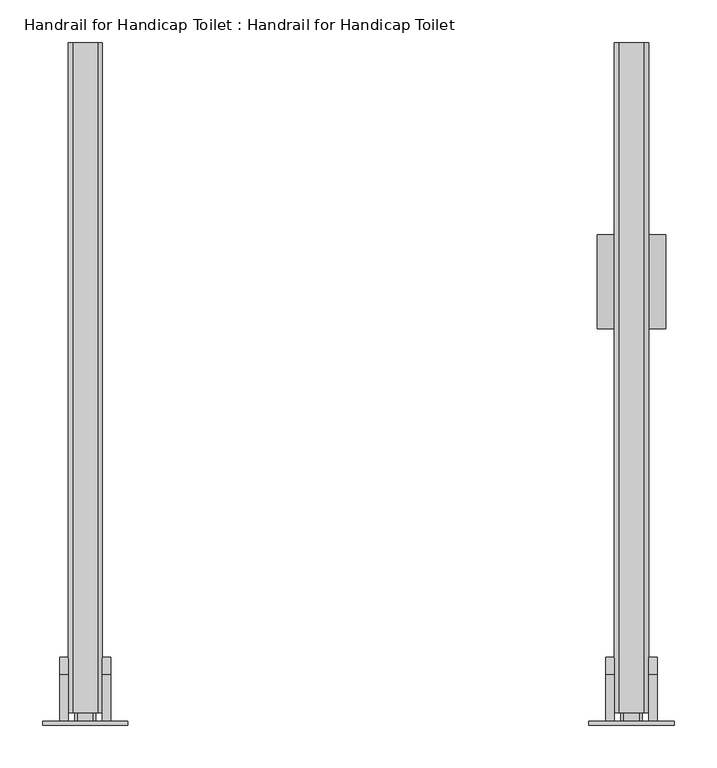
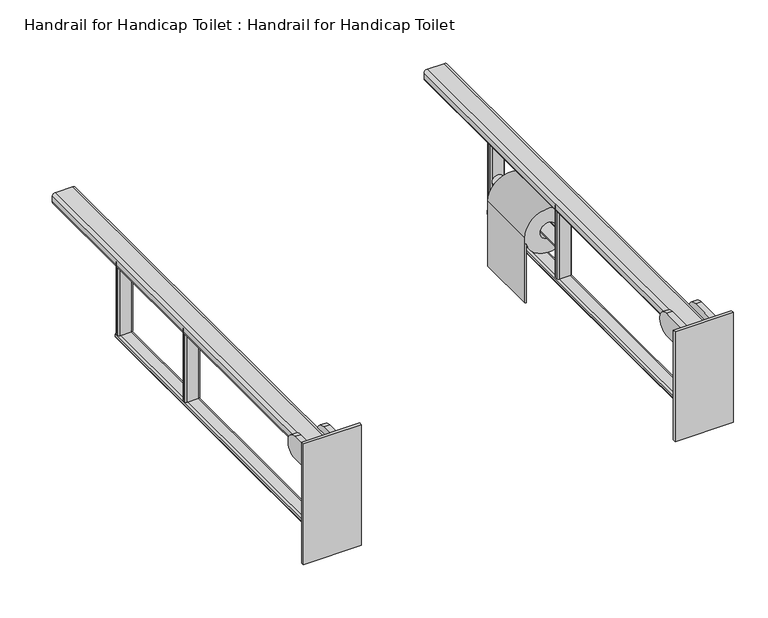
"""IFC4 building model written with IfcOpenShell, lengths in millimetres: proxy geometry, Handrail for Handicap Toilet : Handrail for Handicap Toilet."""

import ifcopenshell
import ifcopenshell.guid

model = None  # the IFC model being written
_history = None  # IfcOwnerHistory: only IFC2X3 demands one
_inside = {}  # id of a spatial element -> (the spatial element, [elements in it])
_under = {}  # id of a project, library or spatial element -> (it, [spatial elements below it])
_declared = {}  # id of a project -> (the project, [libraries it declares])
_typed = {}  # id of a type object -> (the type object, [elements of that type])
_made_of = {}  # id of a material, layer set ... -> (it, [elements and type objects made of it])


def new_model(schema):
    """Start an empty IFC model of exactly this schema.

    Asked for "IFC4X3", IfcOpenShell would pick the latest addendum, in which some entities
    have other attributes; the version numbers below select the first issue.
    IFC2X3 requires an IfcOwnerHistory on every rooted entity: one is made here for all.
    """
    global model, _history
    if schema == "IFC4X3":
        model = ifcopenshell.file(schema_version=(4, 3, 0, 0))
    else:
        model = ifcopenshell.file(schema=schema)
    _inside.clear()
    _under.clear()
    _declared.clear()
    _typed.clear()
    _made_of.clear()
    _history = None
    if model.schema == "IFC2X3":
        org = make("IfcOrganization", Name="unknown")
        user = make(
            "IfcPersonAndOrganization",
            ThePerson=make("IfcPerson", FamilyName="unknown"),
            TheOrganization=org,
        )
        app = make(
            "IfcApplication",
            ApplicationDeveloper=org,
            Version="unknown",
            ApplicationFullName="unknown",
            ApplicationIdentifier="unknown",
        )
        _history = make(
            "IfcOwnerHistory",
            OwningUser=user,
            OwningApplication=app,
            ChangeAction="ADDED",
            CreationDate=0,
        )
    return model


def make(cls, **values):
    """One entity of the class cls with the attributes given. An attribute that is None is left unset."""
    return model.create_entity(
        cls, **{name: value for name, value in values.items() if value is not None}
    )


def rooted(cls, **values):
    """An entity with a GlobalId (a new one), such as an element, a storey or a relation."""
    return make(cls, GlobalId=ifcopenshell.guid.new(), OwnerHistory=_history, **values)


def si_unit(unit_type, name, prefix=None):
    """IfcSIUnit, for example si_unit("LENGTHUNIT", "METRE", prefix="MILLI")."""
    return make("IfcSIUnit", UnitType=unit_type, Prefix=prefix, Name=name)


def assignment(units):
    """IfcUnitAssignment: the units of a project."""
    return None if units is None else make("IfcUnitAssignment", Units=units)


def point(xyz):
    """IfcCartesianPoint."""
    return None if xyz is None else make("IfcCartesianPoint", Coordinates=xyz)


def direction(xyz):
    """IfcDirection."""
    return None if xyz is None else make("IfcDirection", DirectionRatios=xyz)


def frame(location, z_axis=None, x_axis=None):
    """IfcAxis2Placement3D, a coordinate frame: its origin and axes. An axis left out is left unset."""
    return make(
        "IfcAxis2Placement3D",
        Location=point(location),
        Axis=direction(z_axis),
        RefDirection=direction(x_axis),
    )


def frame_2d(location, x_axis=None):
    """IfcAxis2Placement2D, a coordinate frame in the plane: its origin and x axis."""
    return make(
        "IfcAxis2Placement2D", Location=point(location), RefDirection=direction(x_axis)
    )


def origin():
    """The frame at (0, 0, 0) with its axes left unset."""
    return frame((0.0, 0.0, 0.0))


def place(relative_to, where):
    """IfcLocalPlacement: puts the frame where relative to a parent placement (None: the world)."""
    return make(
        "IfcLocalPlacement", PlacementRelTo=relative_to, RelativePlacement=where
    )


def context(
    kind, dimensions, precision=None, world=None, true_north=None, identifier=None
):
    """IfcGeometricRepresentationContext, for example the 3D "Model" context."""
    return make(
        "IfcGeometricRepresentationContext",
        ContextIdentifier=identifier,
        ContextType=kind,
        CoordinateSpaceDimension=dimensions,
        Precision=precision,
        WorldCoordinateSystem=world,
        TrueNorth=true_north,
    )


def project(units=None, contexts=None):
    """IfcProject with its units and contexts."""
    return rooted(
        "IfcProject",
        Name="project",
        RepresentationContexts=contexts,
        UnitsInContext=assignment(units),
    )


def spatial(cls, under=None, at=None, **own):
    """A site, building, storey or space (cls), placed at a placement, below another one or the project."""
    s = rooted(cls, ObjectPlacement=at, **own)
    if under is not None:
        _under.setdefault(under.id(), (under, []))[1].append(s)
    return s


def polyline(points):
    """IfcPolyline through the points."""
    return make("IfcPolyline", Points=[point(p) for p in points])


def circle_curve(where, radius):
    """IfcCircle in the frame where."""
    return make("IfcCircle", Position=where, Radius=radius)


def trimmed(basis, trim1, trim2, sense, master):
    """IfcTrimmedCurve: the piece of a basis curve between two trims."""
    return make(
        "IfcTrimmedCurve",
        BasisCurve=basis,
        Trim1=trim1,
        Trim2=trim2,
        SenseAgreement=sense,
        MasterRepresentation=master,
    )


def segment(curve, same_sense, transition):
    """IfcCompositeCurveSegment."""
    return make(
        "IfcCompositeCurveSegment",
        Transition=transition,
        SameSense=same_sense,
        ParentCurve=curve,
    )


def composite_curve(segments, self_intersect=None):
    """IfcCompositeCurve: segments joined end to end."""
    return make("IfcCompositeCurve", Segments=segments, SelfIntersect=self_intersect)


def outline(outer, holes=None, kind="AREA"):
    """IfcArbitraryClosedProfileDef: a profile drawn as a closed curve; with holes, ...WithVoids."""
    if holes is None:
        return make("IfcArbitraryClosedProfileDef", ProfileType=kind, OuterCurve=outer)
    return make(
        "IfcArbitraryProfileDefWithVoids",
        ProfileType=kind,
        OuterCurve=outer,
        InnerCurves=holes,
    )


def extrude(swept, where, along, depth):
    """IfcExtrudedAreaSolid: the profile swept, set in the frame where, extruded along a direction by depth."""
    return make(
        "IfcExtrudedAreaSolid",
        SweptArea=swept,
        Position=where,
        ExtrudedDirection=direction(along),
        Depth=depth,
    )


def shape(context_of_items, identifier, shape_type, items):
    """IfcShapeRepresentation: the items that make up one representation, for example the "Body"."""
    return make(
        "IfcShapeRepresentation",
        ContextOfItems=context_of_items,
        RepresentationIdentifier=identifier,
        RepresentationType=shape_type,
        Items=items,
    )


def source(mapping_origin, context_of_items, identifier, shape_type, items):
    """IfcRepresentationMap: a shape defined once, which mapped items show again and again."""
    return make(
        "IfcRepresentationMap",
        MappingOrigin=mapping_origin,
        MappedRepresentation=shape(context_of_items, identifier, shape_type, items),
    )


def transform(
    local_origin,
    x_axis=None,
    y_axis=None,
    z_axis=None,
    scale=None,
    scale2=None,
    scale3=None,
    uniform=True,
):
    """IfcCartesianTransformationOperator3D, or its non-uniform kind. x_axis, y_axis, z_axis: its Axis1, 2, 3."""
    if uniform:
        return make(
            "IfcCartesianTransformationOperator3D",
            Axis1=direction(x_axis),
            Axis2=direction(y_axis),
            LocalOrigin=point(local_origin),
            Scale=scale,
            Axis3=direction(z_axis),
        )
    return make(
        "IfcCartesianTransformationOperator3DnonUniform",
        Axis1=direction(x_axis),
        Axis2=direction(y_axis),
        LocalOrigin=point(local_origin),
        Scale=scale,
        Axis3=direction(z_axis),
        Scale2=scale2,
        Scale3=scale3,
    )


def mapped(mapping_source, mapping_target):
    """IfcMappedItem: shows the shape of a source again, moved by a transform."""
    return make(
        "IfcMappedItem", MappingSource=mapping_source, MappingTarget=mapping_target
    )


def made_of(thing, what):
    """Note that an element or type object is made of a material, layer set ...; save() writes the relation."""
    if what is not None:
        _made_of.setdefault(what.id(), (what, []))[1].append(thing)
    return thing


def element(
    cls,
    number,
    at=None,
    inside=None,
    cuts=None,
    type_object=None,
    material=None,
    context=None,
    identifier="Body",
    shape_type=None,
    held_by="IfcProductDefinitionShape",
    body=None,
    shapes=None,
    **own,
):
    """One element of the class cls, such as IfcWall. Its Tag is "e" and its number.

    at: its placement. inside: the storey or other place that contains it. cuts: it is an
    opening in that element (IfcRelVoidsElement). A single representation is given by context,
    identifier, shape_type and body (its items); several are given by shapes. held_by: the class
    of the entity that holds the representations. save() writes the other relations.
    """
    e = rooted(cls, Tag="e%d" % number, ObjectPlacement=at, **own)
    if body is not None:
        shapes = [shape(context, identifier, shape_type, body)]
    if shapes is not None:
        e.Representation = make(held_by, Representations=shapes)
    if inside is not None:
        _inside.setdefault(inside.id(), (inside, []))[1].append(e)
    if cuts is not None:
        rooted(
            "IfcRelVoidsElement", RelatingBuildingElement=cuts, RelatedOpeningElement=e
        )
    if type_object is not None:
        _typed.setdefault(type_object.id(), (type_object, []))[1].append(e)
    return made_of(e, material)


def aggregate(whole, parts):
    """IfcRelAggregates: a whole, such as a stair, and the parts it consists of."""
    return rooted("IfcRelAggregates", RelatingObject=whole, RelatedObjects=parts)


def save(model, path):
    """Write the relations noted so far, then the file.

    IfcRelAggregates (storeys below a building ...), IfcRelContainedInSpatialStructure (elements
    in a storey), IfcRelDefinesByType, IfcRelAssociatesMaterial and IfcRelDeclares: one each for
    every whole, place, type object, material and project.
    """
    for whole, parts in _under.values():
        aggregate(whole, parts)
    for where, things in _inside.values():
        rooted(
            "IfcRelContainedInSpatialStructure",
            RelatedElements=things,
            RelatingStructure=where,
        )
    for kind, things in _typed.values():
        rooted("IfcRelDefinesByType", RelatedObjects=things, RelatingType=kind)
    for what, things in _made_of.values():
        rooted("IfcRelAssociatesMaterial", RelatedObjects=things, RelatingMaterial=what)
    for by, libraries in _declared.values():
        rooted("IfcRelDeclares", RelatingContext=by, RelatedDefinitions=libraries)
    model.write(path)


def plane_surface(at):
    """IfcPlane: the flat surface through the origin of the frame at, square to its z axis."""
    return make("IfcPlane", Position=at)


def cylinder_surface(at, radius):
    """IfcCylindricalSurface: all points at the distance radius from the z axis of the frame at."""
    return make("IfcCylindricalSurface", Position=at, Radius=radius)


def advanced_brep(points, edges, surfaces, faces):
    """IfcAdvancedBrep: a solid bounded by faces that lie on surfaces and meet in shared edges.

    An edge is (start, end): straight between two places in points (the first is 0);
    or (start, end, curve); or (start, end, curve, False) where it runs against its curve.
    A face is (place in surfaces, loops), or (place, loops, False) where it looks against
    its surface's normal. A loop lists edges by number (the first is 1), with a minus sign
    where the edge is run from its end to its start. The first loop is the outer one.
    """
    corners = [point(p) for p in points]
    vertices = [make("IfcVertexPoint", VertexGeometry=c) for c in corners]
    made = []
    for start, end, *more in edges:
        made.append(
            make(
                "IfcEdgeCurve",
                EdgeStart=vertices[start],
                EdgeEnd=vertices[end],
                EdgeGeometry=more[0] if more else make("IfcPolyline", Points=[corners[start], corners[end]]),
                SameSense=more[1] if len(more) > 1 else True,
            )
        )
    hull = []
    for where, loops, *sense in faces:
        bounds = []
        for j, loop in enumerate(loops):
            ring = [make("IfcOrientedEdge", EdgeElement=made[abs(k) - 1], Orientation=k > 0) for k in loop]
            bounds.append(
                make(
                    "IfcFaceOuterBound" if j == 0 else "IfcFaceBound",
                    Bound=make("IfcEdgeLoop", EdgeList=ring),
                    Orientation=True,
                )
            )
        hull.append(make("IfcAdvancedFace", Bounds=bounds, FaceSurface=surfaces[where], SameSense=sense[0] if sense else True))
    return make("IfcAdvancedBrep", Outer=make("IfcClosedShell", CfsFaces=hull))


def handrail_for_handicap_toilet_handrail_for_handicap_toilet_3c5fbdca(model_context):
    return source(origin(), model_context, "Body", "SolidModel", [
        extrude(outline(composite_curve([segment(trimmed(circle_curve(frame_2d((715.0, 445.0329044)), 10.0), [point((715.0, 455.0329044))], [point((715.0, 435.0329044))], False, "CARTESIAN"), True, "CONTINUOUS"), segment(trimmed(circle_curve(frame_2d((715.0, 445.0329044)), 10.0), [point((715.0, 435.0329044))], [point((715.0, 455.0329044))], False, "CARTESIAN"), True, "CONTINUOUS")], self_intersect=False)), frame((0.0, 500.0, 0.0), z_axis=(0.0, 1.0, 0.0), x_axis=(0.0, 0.0, 1.0)), (0.0, 0.0, 1.0), 190.0),
        extrude(outline(composite_curve([segment(polyline([(715.0, 405.0329044), (596.808083, 405.0329044), (596.808083, 406.9949075), (702.6262055, 406.9949075)]), True, "CONTINUOUS"), segment(trimmed(circle_curve(frame_2d((715.0, 445.0329044)), 40.0), [point((702.6262055, 406.9949075))], [point((715.0, 405.0329044))], False, "CARTESIAN"), True, "CONTINUOUS")], self_intersect=False), holes=[composite_curve([segment(trimmed(circle_curve(frame_2d((715.0, 445.0329044)), 13.9343465), [point((715.0, 458.9672509))], [point((715.0, 431.098558))], True, "CARTESIAN"), True, "CONTINUOUS"), segment(trimmed(circle_curve(frame_2d((715.0, 445.0329044)), 13.9343465), [point((715.0, 431.098558))], [point((715.0, 458.9672509))], True, "CARTESIAN"), True, "CONTINUOUS")], self_intersect=False)]), frame((0.0, 540.0, 0.0), z_axis=(0.0, 1.0, 0.0), x_axis=(0.0, 0.0, 1.0)), (0.0, 0.0, 1.0), 110.0),
        extrude(outline(composite_curve([segment(polyline([(-204.8859753, 500.0), (-185.1798336, 500.0)]), True, "CONTINUOUS"), segment(trimmed(circle_curve(frame_2d((-185.5329044, 497.020849)), 3.0), [point((-185.1798336, 500.0))], [point((-182.5329044, 497.020849))], False, "CARTESIAN"), True, "CONTINUOUS"), segment(polyline([(-182.5329044, 497.020849), (-182.5329044, 492.979151)]), True, "CONTINUOUS"), segment(trimmed(circle_curve(frame_2d((-185.5329044, 492.979151)), 3.0), [point((-182.5329044, 492.979151))], [point((-185.1798336, 490.0))], False, "CARTESIAN"), True, "CONTINUOUS"), segment(polyline([(-185.1798336, 490.0), (-204.8859753, 490.0)]), True, "CONTINUOUS"), segment(trimmed(circle_curve(frame_2d((-204.5329044, 492.979151)), 3.0), [point((-204.8859753, 490.0))], [point((-207.5329044, 492.979151))], False, "CARTESIAN"), True, "CONTINUOUS"), segment(polyline([(-207.5329044, 492.979151), (-207.5329044, 497.020849)]), True, "CONTINUOUS"), segment(trimmed(circle_curve(frame_2d((-204.5329044, 497.020849)), 3.0), [point((-207.5329044, 497.020849))], [point((-204.8859753, 500.0))], False, "CARTESIAN"), True, "CONTINUOUS")], self_intersect=False)), frame((0.0, 0.0, 660.0), z_axis=(0.0, 0.0, 1.0), x_axis=(1.0, 0.0, 0.0)), (0.0, 0.0, 1.0), 130.0),
        extrude(outline(composite_curve([segment(polyline([(-204.8859753, 700.0), (-185.1798336, 700.0)]), True, "CONTINUOUS"), segment(trimmed(circle_curve(frame_2d((-185.5329044, 697.020849)), 3.0), [point((-185.1798336, 700.0))], [point((-182.5329044, 697.020849))], False, "CARTESIAN"), True, "CONTINUOUS"), segment(polyline([(-182.5329044, 697.020849), (-182.5329044, 692.979151)]), True, "CONTINUOUS"), segment(trimmed(circle_curve(frame_2d((-185.5329044, 692.979151)), 3.0), [point((-182.5329044, 692.979151))], [point((-185.1798336, 690.0))], False, "CARTESIAN"), True, "CONTINUOUS"), segment(polyline([(-185.1798336, 690.0), (-204.8859753, 690.0)]), True, "CONTINUOUS"), segment(trimmed(circle_curve(frame_2d((-204.5329044, 692.979151)), 3.0), [point((-204.8859753, 690.0))], [point((-207.5329044, 692.979151))], False, "CARTESIAN"), True, "CONTINUOUS"), segment(polyline([(-207.5329044, 692.979151), (-207.5329044, 697.020849)]), True, "CONTINUOUS"), segment(trimmed(circle_curve(frame_2d((-204.5329044, 697.020849)), 3.0), [point((-207.5329044, 697.020849))], [point((-204.8859753, 700.0))], False, "CARTESIAN"), True, "CONTINUOUS")], self_intersect=False)), frame((0.0, 0.0, 660.0), z_axis=(0.0, 0.0, 1.0), x_axis=(1.0, 0.0, 0.0)), (0.0, 0.0, 1.0), 130.0),
        advanced_brep(
        [(-185.5329044, 80.0, 660.0), (-204.4670956, 80.0, 660.0), (-207.4670956, 80.0, 657.0), (-207.5, 80.0, 653.0), (-204.4670956, 80.0, 650.0), (-185.5329044, 80.0, 650.0), (-182.5329044, 80.0, 653.0), (-182.5, 80.0, 657.0), (-185.5329044, 700.0, 660.0), (-182.5329044, 700.0, 657.0), (-182.5, 700.0, 653.0), (-185.5329044, 700.0, 650.0), (-204.4670956, 700.0, 650.0), (-207.4670956, 700.0, 653.0), (-207.5, 700.0, 657.0), (-204.4670956, 700.0, 660.0)],
        [
            (0, 1),
            (1, 2, circle_curve(frame((-204.4670956, 80.0, 657.0), z_axis=(0.0, -1.0, 0.0), x_axis=(1.0, 0.0, 0.0)), 3.0)),
            (2, 3),
            (3, 4, circle_curve(frame((-204.4670956, 80.0, 653.0), z_axis=(0.0, -1.0, 0.0), x_axis=(1.0, 0.0, 0.0)), 3.0)),
            (4, 5),
            (5, 6, circle_curve(frame((-185.5329044, 80.0, 653.0), z_axis=(0.0, -1.0, 0.0), x_axis=(-1.0, 0.0, 0.0)), 3.0)),
            (6, 7),
            (7, 0, circle_curve(frame((-185.5329044, 80.0, 657.0), z_axis=(0.0, -1.0, 0.0), x_axis=(-1.0, 0.0, 0.0)), 3.0)),
            (8, 9, circle_curve(frame((-185.5329044, 700.0, 657.0), z_axis=(0.0, 1.0, 0.0), x_axis=(-1.0, 0.0, 0.0)), 3.0)),
            (9, 10),
            (10, 11, circle_curve(frame((-185.5329044, 700.0, 653.0), z_axis=(0.0, 1.0, 0.0), x_axis=(-1.0, 0.0, 0.0)), 3.0)),
            (11, 12),
            (12, 13, circle_curve(frame((-204.4670956, 700.0, 653.0), z_axis=(0.0, 1.0, 0.0), x_axis=(1.0, 0.0, 0.0)), 3.0)),
            (13, 14),
            (14, 15, circle_curve(frame((-204.4670956, 700.0, 657.0), z_axis=(0.0, 1.0, 0.0), x_axis=(1.0, 0.0, 0.0)), 3.0)),
            (15, 8),
            (7, 9),
            (8, 0),
            (6, 10),
            (5, 11),
            (4, 12),
            (3, 13),
            (2, 14),
            (1, 15),
        ],
        [
            plane_surface(frame((-207.5, 80.0, 660.0), z_axis=(0.0, -1.0, 0.0), x_axis=(-1.0, 0.0, 0.0))),
            plane_surface(frame((-207.5, 700.0, 660.0), z_axis=(0.0, 1.0, 0.0), x_axis=(1.0, 0.0, 0.0))),
            cylinder_surface(frame((-185.5329044, 700.0, 657.0), z_axis=(0.0, -1.0, 0.0), x_axis=(-1.0, 0.0, 0.0)), 3.0),
            plane_surface(frame((-182.5, 80.0, 653.0), z_axis=(1.0, 0.0, 0.0), x_axis=(0.0, 1.0, 0.0))),
            cylinder_surface(frame((-185.5329044, 700.0, 653.0), z_axis=(0.0, -1.0, 0.0), x_axis=(-1.0, 0.0, 0.0)), 3.0),
            plane_surface(frame((-204.4670956, 80.0, 650.0), z_axis=(0.0, 0.0, -1.0), x_axis=(0.0, 1.0, 0.0))),
            cylinder_surface(frame((-204.4670956, 700.0, 653.0), z_axis=(0.0, -1.0, 0.0), x_axis=(1.0, 0.0, 0.0)), 3.0),
            plane_surface(frame((-207.5, 80.0, 657.0), z_axis=(-1.0, 0.0, 0.0), x_axis=(0.0, 1.0, 0.0))),
            cylinder_surface(frame((-204.4670956, 700.0, 657.0), z_axis=(0.0, -1.0, 0.0), x_axis=(1.0, 0.0, 0.0)), 3.0),
            plane_surface(frame((-185.5329044, 80.0, 660.0), z_axis=(0.0, 0.0, 1.0), x_axis=(0.0, 1.0, 0.0))),
        ],
        [
            (0, [[1, 2, 3, 4, 5, 6, 7, 8]]),
            (1, [[9, 10, 11, 12, 13, 14, 15, 16]]),
            (2, [[-8, 17, -9, 18]]),
            (3, [[-7, 19, -10, -17]]),
            (4, [[-6, 20, -11, -19]]),
            (5, [[-5, 21, -12, -20]]),
            (6, [[-4, 22, -13, -21]]),
            (7, [[-3, 23, -14, -22]]),
            (8, [[-2, 24, -15, -23]]),
            (9, [[-1, -18, -16, -24]]),
        ],
    ),
        extrude(outline(composite_curve([segment(polyline([(810.0, -180.0), (810.0, -210.0)]), True, "CONTINUOUS"), segment(trimmed(circle_curve(frame_2d((805.0, -210.0)), 5.0), [point((810.0, -210.0))], [point((805.0, -215.0))], False, "CARTESIAN"), True, "CONTINUOUS"), segment(polyline([(805.0, -215.0), (795.0, -215.0)]), True, "CONTINUOUS"), segment(trimmed(circle_curve(frame_2d((795.0, -210.0)), 5.0), [point((795.0, -215.0))], [point((790.0, -210.0))], False, "CARTESIAN"), True, "CONTINUOUS"), segment(polyline([(790.0, -210.0), (790.0, -180.0)]), True, "CONTINUOUS"), segment(trimmed(circle_curve(frame_2d((795.0, -180.0)), 5.0), [point((790.0, -180.0))], [point((795.0, -175.0))], False, "CARTESIAN"), True, "CONTINUOUS"), segment(polyline([(795.0, -175.0), (805.0, -175.0)]), True, "CONTINUOUS"), segment(trimmed(circle_curve(frame_2d((805.0, -180.0)), 5.0), [point((805.0, -175.0))], [point((810.0, -180.0))], False, "CARTESIAN"), True, "CONTINUOUS")], self_intersect=False)), frame((0.0, 90.0, 0.0), z_axis=(0.0, 1.0, 0.0), x_axis=(0.0, 0.0, 1.0)), (0.0, 0.0, 1.0), 785.0),
        extrude(outline(composite_curve([segment(trimmed(circle_curve(frame_2d((454.5329044, 497.020849)), 3.0), [point((454.8859753, 500.0))], [point((457.5329044, 497.020849))], False, "CARTESIAN"), True, "CONTINUOUS"), segment(polyline([(457.5329044, 497.020849), (457.5329044, 492.979151)]), True, "CONTINUOUS"), segment(trimmed(circle_curve(frame_2d((454.5329044, 492.979151)), 3.0), [point((457.5329044, 492.979151))], [point((454.8859753, 490.0))], False, "CARTESIAN"), True, "CONTINUOUS"), segment(polyline([(454.8859753, 490.0), (435.1798336, 490.0)]), True, "CONTINUOUS"), segment(trimmed(circle_curve(frame_2d((435.5329044, 492.979151)), 3.0), [point((435.1798336, 490.0))], [point((432.5329044, 492.979151))], False, "CARTESIAN"), True, "CONTINUOUS"), segment(polyline([(432.5329044, 492.979151), (432.5329044, 497.020849)]), True, "CONTINUOUS"), segment(trimmed(circle_curve(frame_2d((435.5329044, 497.020849)), 3.0), [point((432.5329044, 497.020849))], [point((435.1798336, 500.0))], False, "CARTESIAN"), True, "CONTINUOUS"), segment(polyline([(435.1798336, 500.0), (454.8859753, 500.0)]), True, "CONTINUOUS")], self_intersect=False)), frame((0.0, 0.0, 660.0), z_axis=(0.0, 0.0, 1.0), x_axis=(1.0, 0.0, 0.0)), (0.0, 0.0, 1.0), 130.0),
        extrude(outline(composite_curve([segment(trimmed(circle_curve(frame_2d((454.5329044, 697.020849)), 3.0), [point((454.8859753, 700.0))], [point((457.5329044, 697.020849))], False, "CARTESIAN"), True, "CONTINUOUS"), segment(polyline([(457.5329044, 697.020849), (457.5329044, 692.979151)]), True, "CONTINUOUS"), segment(trimmed(circle_curve(frame_2d((454.5329044, 692.979151)), 3.0), [point((457.5329044, 692.979151))], [point((454.8859753, 690.0))], False, "CARTESIAN"), True, "CONTINUOUS"), segment(polyline([(454.8859753, 690.0), (435.1798336, 690.0)]), True, "CONTINUOUS"), segment(trimmed(circle_curve(frame_2d((435.5329044, 692.979151)), 3.0), [point((435.1798336, 690.0))], [point((432.5329044, 692.979151))], False, "CARTESIAN"), True, "CONTINUOUS"), segment(polyline([(432.5329044, 692.979151), (432.5329044, 697.020849)]), True, "CONTINUOUS"), segment(trimmed(circle_curve(frame_2d((435.5329044, 697.020849)), 3.0), [point((432.5329044, 697.020849))], [point((435.1798336, 700.0))], False, "CARTESIAN"), True, "CONTINUOUS"), segment(polyline([(435.1798336, 700.0), (454.8859753, 700.0)]), True, "CONTINUOUS")], self_intersect=False)), frame((0.0, 0.0, 660.0), z_axis=(0.0, 0.0, 1.0), x_axis=(1.0, 0.0, 0.0)), (0.0, 0.0, 1.0), 130.0),
        advanced_brep(
        [(435.5329044, 80.0, 660.0), (432.5329044, 80.0, 657.0), (432.5, 80.0, 653.0), (435.5329044, 80.0, 650.0), (454.4670956, 80.0, 650.0), (457.4670956, 80.0, 653.0), (457.5, 80.0, 657.0), (454.4670956, 80.0, 660.0), (435.5329044, 700.0, 660.0), (454.4670956, 700.0, 660.0), (457.4670956, 700.0, 657.0), (457.5, 700.0, 653.0), (454.4670956, 700.0, 650.0), (435.5329044, 700.0, 650.0), (432.5329044, 700.0, 653.0), (432.5, 700.0, 657.0)],
        [
            (0, 1, circle_curve(frame((435.5329044, 80.0, 657.0), z_axis=(0.0, -1.0, 0.0), x_axis=(1.0, 0.0, 0.0)), 3.0)),
            (1, 2),
            (2, 3, circle_curve(frame((435.5329044, 80.0, 653.0), z_axis=(0.0, -1.0, 0.0), x_axis=(1.0, 0.0, 0.0)), 3.0)),
            (3, 4),
            (4, 5, circle_curve(frame((454.4670956, 80.0, 653.0), z_axis=(0.0, -1.0, 0.0), x_axis=(-1.0, 0.0, 0.0)), 3.0)),
            (5, 6),
            (6, 7, circle_curve(frame((454.4670956, 80.0, 657.0), z_axis=(0.0, -1.0, 0.0), x_axis=(-1.0, 0.0, 0.0)), 3.0)),
            (7, 0),
            (8, 9),
            (9, 10, circle_curve(frame((454.4670956, 700.0, 657.0), z_axis=(0.0, 1.0, 0.0), x_axis=(-1.0, 0.0, 0.0)), 3.0)),
            (10, 11),
            (11, 12, circle_curve(frame((454.4670956, 700.0, 653.0), z_axis=(0.0, 1.0, 0.0), x_axis=(-1.0, 0.0, 0.0)), 3.0)),
            (12, 13),
            (13, 14, circle_curve(frame((435.5329044, 700.0, 653.0), z_axis=(0.0, 1.0, 0.0), x_axis=(1.0, 0.0, 0.0)), 3.0)),
            (14, 15),
            (15, 8, circle_curve(frame((435.5329044, 700.0, 657.0), z_axis=(0.0, 1.0, 0.0), x_axis=(1.0, 0.0, 0.0)), 3.0)),
            (0, 8),
            (15, 1),
            (14, 2),
            (13, 3),
            (12, 4),
            (11, 5),
            (10, 6),
            (9, 7),
        ],
        [
            plane_surface(frame((438.5329044, 80.0, 657.0), z_axis=(0.0, -1.0, 0.0), x_axis=(0.0, 0.0, 1.0))),
            plane_surface(frame((438.5329044, 700.0, 657.0), z_axis=(0.0, 1.0, 0.0), x_axis=(0.0, 0.0, -1.0))),
            cylinder_surface(frame((435.5329044, 700.0, 657.0), z_axis=(0.0, -1.0, 0.0), x_axis=(1.0, 0.0, 0.0)), 3.0),
            plane_surface(frame((432.5, 80.0, 657.0), z_axis=(-1.0, 0.0, 0.0), x_axis=(0.0, 1.0, 0.0))),
            cylinder_surface(frame((435.5329044, 700.0, 653.0), z_axis=(0.0, -1.0, 0.0), x_axis=(1.0, 0.0, 0.0)), 3.0),
            plane_surface(frame((435.5329044, 80.0, 650.0), z_axis=(0.0, 0.0, -1.0), x_axis=(0.0, 1.0, 0.0))),
            cylinder_surface(frame((454.4670956, 700.0, 653.0), z_axis=(0.0, -1.0, 0.0), x_axis=(-1.0, 0.0, 0.0)), 3.0),
            plane_surface(frame((457.5, 80.0, 653.0), z_axis=(1.0, 0.0, 0.0), x_axis=(0.0, 1.0, 0.0))),
            cylinder_surface(frame((454.4670956, 700.0, 657.0), z_axis=(0.0, -1.0, 0.0), x_axis=(-1.0, 0.0, 0.0)), 3.0),
            plane_surface(frame((454.4670956, 80.0, 660.0), z_axis=(0.0, 0.0, 1.0), x_axis=(0.0, 1.0, 0.0))),
        ],
        [
            (0, [[1, 2, 3, 4, 5, 6, 7, 8]]),
            (1, [[9, 10, 11, 12, 13, 14, 15, 16]]),
            (2, [[-1, 17, -16, 18]]),
            (3, [[-2, -18, -15, 19]]),
            (4, [[-3, -19, -14, 20]]),
            (5, [[-4, -20, -13, 21]]),
            (6, [[-5, -21, -12, 22]]),
            (7, [[-6, -22, -11, 23]]),
            (8, [[-7, -23, -10, 24]]),
            (9, [[-8, -24, -9, -17]]),
        ],
    ),
        extrude(outline(composite_curve([segment(trimmed(circle_curve(frame_2d((805.0, 430.0)), 5.0), [point((810.0, 430.0))], [point((805.0, 425.0))], False, "CARTESIAN"), True, "CONTINUOUS"), segment(polyline([(805.0, 425.0), (795.0, 425.0)]), True, "CONTINUOUS"), segment(trimmed(circle_curve(frame_2d((795.0, 430.0)), 5.0), [point((795.0, 425.0))], [point((790.0, 430.0))], False, "CARTESIAN"), True, "CONTINUOUS"), segment(polyline([(790.0, 430.0), (790.0, 460.0)]), True, "CONTINUOUS"), segment(trimmed(circle_curve(frame_2d((795.0, 460.0)), 5.0), [point((790.0, 460.0))], [point((795.0, 465.0))], False, "CARTESIAN"), True, "CONTINUOUS"), segment(polyline([(795.0, 465.0), (805.0, 465.0)]), True, "CONTINUOUS"), segment(trimmed(circle_curve(frame_2d((805.0, 460.0)), 5.0), [point((805.0, 465.0))], [point((810.0, 460.0))], False, "CARTESIAN"), True, "CONTINUOUS"), segment(polyline([(810.0, 460.0), (810.0, 430.0)]), True, "CONTINUOUS")], self_intersect=False)), frame((0.0, 90.0, 0.0), z_axis=(0.0, 1.0, 0.0), x_axis=(0.0, 0.0, 1.0)), (0.0, 0.0, 1.0), 785.0),
        extrude(outline(composite_curve([segment(polyline([(80.0, 780.0), (80.0, 820.0), (135.0, 820.0)]), True, "CONTINUOUS"), segment(trimmed(circle_curve(frame_2d((135.0, 800.0)), 20.0), [point((135.0, 820.0))], [point((135.0, 780.0))], False, "CARTESIAN"), True, "CONTINUOUS"), segment(polyline([(135.0, 780.0), (80.0, 780.0)]), True, "CONTINUOUS")], self_intersect=False)), frame((-225.0, 0.0, 0.0), z_axis=(1.0, 0.0, 0.0), x_axis=(0.0, 1.0, 0.0)), (0.0, 0.0, 1.0), 10.0),
        extrude(outline(composite_curve([segment(polyline([(80.0, 780.0), (80.0, 820.0), (135.0, 820.0)]), True, "CONTINUOUS"), segment(trimmed(circle_curve(frame_2d((135.0, 800.0)), 20.0), [point((135.0, 820.0))], [point((135.0, 780.0))], False, "CARTESIAN"), True, "CONTINUOUS"), segment(polyline([(135.0, 780.0), (80.0, 780.0)]), True, "CONTINUOUS")], self_intersect=False)), frame((-175.0, 0.0, 0.0), z_axis=(1.0, 0.0, 0.0), x_axis=(0.0, 1.0, 0.0)), (0.0, 0.0, 1.0), 10.0),
        extrude(outline(polyline([(-145.0, 80.0), (-145.0, 75.0), (-245.0, 75.0), (-245.0, 80.0), (-145.0, 80.0)])), frame((0.0, 0.0, 630.0), z_axis=(0.0, 0.0, 1.0), x_axis=(1.0, 0.0, 0.0)), (0.0, 0.0, 1.0), 220.0),
        extrude(outline(composite_curve([segment(polyline([(80.0, 780.0), (80.0, 820.0), (135.0, 820.0)]), True, "CONTINUOUS"), segment(trimmed(circle_curve(frame_2d((135.0, 800.0)), 20.0), [point((135.0, 820.0))], [point((135.0, 780.0))], False, "CARTESIAN"), True, "CONTINUOUS"), segment(polyline([(135.0, 780.0), (80.0, 780.0)]), True, "CONTINUOUS")], self_intersect=False)), frame((465.0, 0.0, 0.0), z_axis=(1.0, 0.0, 0.0), x_axis=(0.0, 1.0, 0.0)), (0.0, 0.0, 1.0), 10.0),
        extrude(outline(composite_curve([segment(polyline([(80.0, 780.0), (80.0, 820.0), (135.0, 820.0)]), True, "CONTINUOUS"), segment(trimmed(circle_curve(frame_2d((135.0, 800.0)), 20.0), [point((135.0, 820.0))], [point((135.0, 780.0))], False, "CARTESIAN"), True, "CONTINUOUS"), segment(polyline([(135.0, 780.0), (80.0, 780.0)]), True, "CONTINUOUS")], self_intersect=False)), frame((415.0, 0.0, 0.0), z_axis=(1.0, 0.0, 0.0), x_axis=(0.0, 1.0, 0.0)), (0.0, 0.0, 1.0), 10.0),
        extrude(outline(polyline([(395.0, 80.0), (495.0, 80.0), (495.0, 75.0), (395.0, 75.0), (395.0, 80.0)])), frame((0.0, 0.0, 630.0), z_axis=(0.0, 0.0, 1.0), x_axis=(1.0, 0.0, 0.0)), (0.0, 0.0, 1.0), 200.0),
    ])


if __name__ == "__main__":
    model = new_model("IFC4")
    model_context = context("Model", 3, world=origin())
    ifc_project = project(units=[si_unit("LENGTHUNIT", "METRE", prefix="MILLI")], contexts=[model_context])
    site = spatial("IfcSite", under=ifc_project)
    building = spatial("IfcBuilding", under=site)
    placement = place(None, origin())
    handrail_for_handicap_toilet_handrail_for_handicap_toilet_shape = handrail_for_handicap_toilet_handrail_for_handicap_toilet_3c5fbdca(model_context)
    element("IfcBuildingElementProxy", 1, Name="Handrail for Handicap Toilet : Handrail for Handicap Toilet", ObjectType="Handrail for Handicap Toilet : Handrail for Handicap Toilet", at=placement, inside=building, context=model_context, shape_type="MappedRepresentation", body=[
        mapped(handrail_for_handicap_toilet_handrail_for_handicap_toilet_shape, transform((0.0, 0.0, 0.0), x_axis=(1.0, 0.0, 0.0), y_axis=(0.0, 1.0, 0.0), z_axis=(0.0, 0.0, 1.0))),
    ])
    save(model, "model.ifc")
